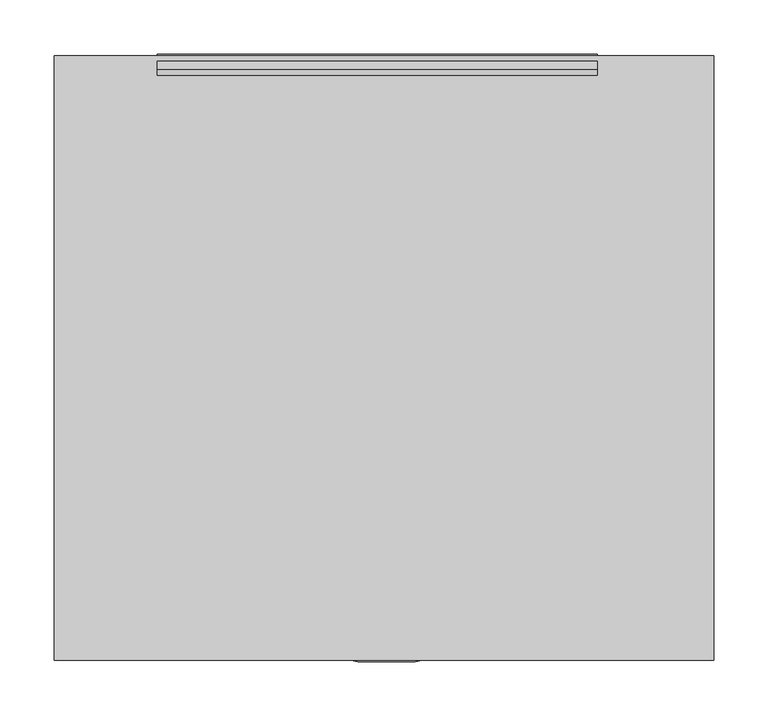
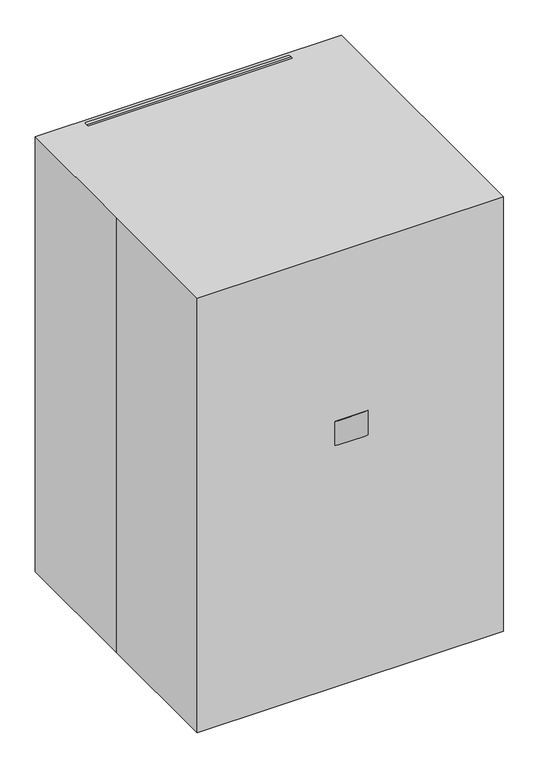
"""IFC4 building model written with IfcOpenShell, lengths in millimetres: proxy geometry."""

from ifc_helpers import new_model, si_unit, point, frame, frame_2d, origin, origin_with_axes, place, context, project, spatial, polyline, circle_curve, trimmed, segment, composite_curve, outline, extrude, source, transform, mapped, element, save


def specialty_equipment_d9f4183d(model_context):
    return source(origin(), model_context, "Body", "SweptSolid", [
        extrude(outline(polyline([(245.1763903, 607.2581371), (259.3714887, 444.5), (235.3195063, 444.5), (235.3195063, 509.2539826), (228.3948633, 608.2809912), (234.0342494, 666.34322), (250.7573639, 664.7189609), (245.1763903, 607.2581371)])), frame((-19.05, 0.0, 0.0), z_axis=(1.0, 0.0, 0.0), x_axis=(0.0, 1.0, 0.0)), (0.0, 0.0, 1.0), 40.4715924),
        extrude(outline(polyline([(266.6039295, 914.6308695), (274.1575655, 914.1026678), (280.453575, 886.0214532), (280.7793477, 856.0346762), (269.8856778, 731.5194592), (260.7070381, 677.1194312), (253.4902614, 664.4798634), (227.4843376, 666.7550869), (225.9166717, 699.6097731), (226.9356974, 709.3051544), (231.2268335, 740.2576091), (236.1201637, 796.1886295), (239.7480237, 837.6552588), (241.0174565, 852.1649422), (242.5672046, 900.3984911), (243.5472924, 911.600946), (266.6039295, 914.6308695)])), frame((-209.55, 0.0, 0.0), z_axis=(1.0, 0.0, 0.0), x_axis=(0.0, 1.0, 0.0)), (0.0, 0.0, 1.0), 406.4),
        extrude(outline(composite_curve([segment(polyline([(20.4732576, 235.3195063), (20.4732576, -10.9732945)]), True, "CONTINUOUS"), segment(trimmed(circle_curve(frame_2d((1.7968221, -27.0144229)), 24.6196474), [point((20.4732576, -10.9732945))], [point((-16.8796133, -10.9732945))], True, "CARTESIAN"), True, "CONTINUOUS"), segment(polyline([(-16.8796133, -10.9732945), (-16.8796133, 235.3195063), (20.4732576, 235.3195063)]), True, "CONTINUOUS")], self_intersect=False)), frame((0.0, 0.0, 444.5), z_axis=(0.0, 0.0, 1.0), x_axis=(1.0, 0.0, 0.0)), (0.0, 0.0, 1.0), 38.1),
        extrude(outline(composite_curve([segment(trimmed(circle_curve(frame_2d((2.1703867, -27.8442581)), 254.0), [point((-251.8296133, -27.8442581))], [point((256.1703867, -27.8442581))], False, "CARTESIAN"), True, "CONTINUOUS"), segment(trimmed(circle_curve(frame_2d((2.1703867, -27.8442581)), 254.0), [point((256.1703867, -27.8442581))], [point((-251.8296133, -27.8442581))], False, "CARTESIAN"), True, "CONTINUOUS")], self_intersect=False)), frame((0.0, 0.0, 508.0), z_axis=(0.0, 0.0, 1.0), x_axis=(1.0, 0.0, 0.0)), (0.0, 0.0, 1.0), 50.8),
        extrude(outline(composite_curve([segment(trimmed(circle_curve(frame_2d((0.0, -25.7612183)), 25.7612183), [point((0.0, -51.5224365))], [point((0.0, 0.0))], False, "CARTESIAN"), True, "CONTINUOUS"), segment(trimmed(circle_curve(frame_2d((0.0, -25.7612183)), 25.7612183), [point((0.0, 0.0))], [point((0.0, -51.5224365))], False, "CARTESIAN"), True, "CONTINUOUS")], self_intersect=False)), frame((255.027118, 37.6219114, 25.7612183), z_axis=(-0.3090169943748919, 0.9510565162951716, 0.0), x_axis=(0.0, 0.0, 1.0)), (0.0, 0.0, 1.0), 31.75),
        extrude(outline(composite_curve([segment(polyline([(-57.1058785, 0.0), (-0.678315, 0.0)]), True, "CONTINUOUS"), segment(trimmed(circle_curve(frame_2d((-28.8920967, 0.0)), 28.2137817), [point((-0.678315, 0.0))], [point((-57.1058785, 0.0))], False, "CARTESIAN"), True, "CONTINUOUS")], self_intersect=False)), frame((258.9858893, 35.5698017, 25.7612183), z_axis=(-0.30901699437489194, 0.9510565162951716, 0.0), x_axis=(0.9510565162951716, 0.30901699437489194, 0.0)), (0.0, 0.0, 1.0), 38.1),
        extrude(outline(composite_curve([segment(trimmed(circle_curve(frame_2d((225.6213344, 44.7585541)), 3.5091751), [point((224.5369397, 48.0959779))], [point((226.7057291, 41.4211302))], False, "CARTESIAN"), True, "CONTINUOUS"), segment(trimmed(circle_curve(frame_2d((225.6213344, 44.7585541)), 3.5091751), [point((226.7057291, 41.4211302))], [point((224.5369397, 48.0959779))], False, "CARTESIAN"), True, "CONTINUOUS")], self_intersect=False)), frame((0.0, 0.0, 53.975), z_axis=(0.0, 0.0, 1.0), x_axis=(1.0, 0.0, 0.0)), (0.0, 0.0, 1.0), 13.49375),
        extrude(outline(polyline([(232.199718, 40.2196229), (27.5682802, -26.2691618), (23.6440039, -14.1914812), (228.2754417, 52.2973034), (232.199718, 40.2196229)])), frame((0.0, 0.0, 67.46875), z_axis=(0.0, 0.0, 1.0), x_axis=(1.0, 0.0, 0.0)), (0.0, 0.0, 1.0), 50.8),
        extrude(outline(composite_curve([segment(trimmed(circle_curve(frame_2d((0.0, -25.7612182)), 25.7612183), [point((0.0, -51.5224365))], [point((0.0, 0.0))], False, "CARTESIAN"), True, "CONTINUOUS"), segment(trimmed(circle_curve(frame_2d((0.0, -25.7612182)), 25.7612183), [point((0.0, 0.0))], [point((0.0, -51.5224365))], False, "CARTESIAN"), True, "CONTINUOUS")], self_intersect=False)), frame((142.5694409, -248.0951411, 25.7612183), z_axis=(0.8090169943749846, 0.5877852522924221, 0.0), x_axis=(0.0, 0.0, 1.0)), (0.0, 0.0, 1.0), 31.75),
        extrude(outline(composite_curve([segment(polyline([(-57.1058785, 0.0), (-0.6783151, 0.0)]), True, "CONTINUOUS"), segment(trimmed(circle_curve(frame_2d((-28.8920968, 0.0)), 28.2137817), [point((-0.6783151, 0.0))], [point((-57.1058785, 0.0))], False, "CARTESIAN"), True, "CONTINUOUS")], self_intersect=False)), frame((141.8410962, -252.4942932, 25.7612183), z_axis=(0.8090169943749845, 0.587785252292422, 0.0), x_axis=(0.587785252292422, -0.8090169943749845, 0.0)), (0.0, 0.0, 1.0), 38.1),
        extrude(outline(composite_curve([segment(trimmed(circle_curve(frame_2d((140.2699045, -217.9232351)), 3.5091751), [point((143.1088868, -215.8605938))], [point((137.4309222, -219.9858765))], False, "CARTESIAN"), True, "CONTINUOUS"), segment(trimmed(circle_curve(frame_2d((140.2699045, -217.9232351)), 3.5091751), [point((137.4309222, -219.9858765))], [point((143.1088868, -215.8605938))], False, "CARTESIAN"), True, "CONTINUOUS")], self_intersect=False)), frame((0.0, 0.0, 53.975), z_axis=(0.0, 0.0, 1.0), x_axis=(1.0, 0.0, 0.0)), (0.0, 0.0, 1.0), 13.49375),
        extrude(outline(polyline([(137.9859568, -225.5822566), (11.516773, -51.5123586), (21.7906618, -44.0479415), (148.2598455, -218.1178395), (137.9859568, -225.5822566)])), frame((0.0, 0.0, 67.46875), z_axis=(0.0, 0.0, 1.0), x_axis=(1.0, 0.0, 0.0)), (0.0, 0.0, 1.0), 50.8),
        extrude(outline(composite_curve([segment(trimmed(circle_curve(frame_2d((0.0, -25.7612183)), 25.7612183), [point((0.0, -51.5224365))], [point((0.0, 0.0))], False, "CARTESIAN"), True, "CONTINUOUS"), segment(trimmed(circle_curve(frame_2d((0.0, -25.7612183)), 25.7612183), [point((0.0, 0.0))], [point((0.0, -51.5224365))], False, "CARTESIAN"), True, "CONTINUOUS")], self_intersect=False)), frame((-138.2286675, -248.0951411, 25.7612183), z_axis=(-0.8090169943749151, 0.5877852522925178, 0.0), x_axis=(0.0, 0.0, -1.0)), (0.0, 0.0, 1.0), 31.75),
        extrude(outline(composite_curve([segment(trimmed(circle_curve(frame_2d((28.8920967, 0.0)), 28.2137817), [point((57.1058785, 0.0))], [point((0.678315, 0.0))], False, "CARTESIAN"), True, "CONTINUOUS"), segment(polyline([(0.678315, 0.0), (57.1058785, 0.0)]), True, "CONTINUOUS")], self_intersect=False)), frame((-137.5003227, -252.4942932, 25.7612183), z_axis=(-0.809016994374915, 0.5877852522925177, 0.0), x_axis=(0.5877852522925177, 0.809016994374915, 0.0)), (0.0, 0.0, 1.0), 38.1),
        extrude(outline(composite_curve([segment(trimmed(circle_curve(frame_2d((-135.9303651, -217.9223386)), 3.5091751), [point((-133.0913828, -219.98498))], [point((-138.7693474, -215.8596972))], False, "CARTESIAN"), True, "CONTINUOUS"), segment(trimmed(circle_curve(frame_2d((-135.9303651, -217.9223386)), 3.5091751), [point((-138.7693474, -215.8596972))], [point((-133.0913828, -219.98498))], False, "CARTESIAN"), True, "CONTINUOUS")], self_intersect=False)), frame((0.0, 0.0, 53.975), z_axis=(0.0, 0.0, 1.0), x_axis=(1.0, 0.0, 0.0)), (0.0, 0.0, 1.0), 13.49375),
        extrude(outline(polyline([(-143.9203061, -218.116943), (-17.4511223, -44.047045), (-7.1772336, -51.5114621), (-133.6464173, -225.58136), (-143.9203061, -218.116943)])), frame((0.0, 0.0, 67.46875), z_axis=(0.0, 0.0, 1.0), x_axis=(1.0, 0.0, 0.0)), (0.0, 0.0, 1.0), 50.8),
        extrude(outline(composite_curve([segment(trimmed(circle_curve(frame_2d((0.0, -25.7612183)), 25.7612183), [point((0.0, -51.5224365))], [point((0.0, 0.0))], False, "CARTESIAN"), True, "CONTINUOUS"), segment(trimmed(circle_curve(frame_2d((0.0, -25.7612183)), 25.7612183), [point((0.0, 0.0))], [point((0.0, -51.5224365))], False, "CARTESIAN"), True, "CONTINUOUS")], self_intersect=False)), frame((-250.6863446, 37.6219114, 25.7612183), z_axis=(0.3090169943749793, 0.9510565162951433, 0.0), x_axis=(0.0, 0.0, -1.0)), (0.0, 0.0, 1.0), 31.75),
        extrude(outline(composite_curve([segment(trimmed(circle_curve(frame_2d((28.8920968, 0.0)), 28.2137817), [point((57.1058785, 0.0))], [point((0.678315, 0.0))], False, "CARTESIAN"), True, "CONTINUOUS"), segment(polyline([(0.678315, 0.0), (57.1058785, 0.0)]), True, "CONTINUOUS")], self_intersect=False)), frame((-254.6451159, 35.5698017, 25.7612183), z_axis=(0.3090169943749793, 0.9510565162951432, 0.0), x_axis=(0.9510565162951432, -0.3090169943749793, 0.0)), (0.0, 0.0, 1.0), 38.1),
        extrude(outline(composite_curve([segment(trimmed(circle_curve(frame_2d((-221.2800896, 44.7600047)), 3.5091751), [point((-222.3644844, 41.4225809))], [point((-220.1956949, 48.0974286))], False, "CARTESIAN"), True, "CONTINUOUS"), segment(trimmed(circle_curve(frame_2d((-221.2800896, 44.7600047)), 3.5091751), [point((-220.1956949, 48.0974286))], [point((-222.3644844, 41.4225809))], False, "CARTESIAN"), True, "CONTINUOUS")], self_intersect=False)), frame((0.0, 0.0, 53.975), z_axis=(0.0, 0.0, 1.0), x_axis=(1.0, 0.0, 0.0)), (0.0, 0.0, 1.0), 13.49375),
        extrude(outline(polyline([(-223.9341969, 52.2987541), (-19.3027591, -14.1900305), (-23.2270354, -26.2677111), (-227.8584732, 40.2210735), (-223.9341969, 52.2987541)])), frame((0.0, 0.0, 67.46875), z_axis=(0.0, 0.0, 1.0), x_axis=(1.0, 0.0, 0.0)), (0.0, 0.0, 1.0), 50.8),
        extrude(outline(composite_curve([segment(trimmed(circle_curve(frame_2d((207.1057246, 25.7612183)), 25.7612183), [point((181.3445063, 25.7612183))], [point((232.8669428, 25.7612183))], False, "CARTESIAN"), True, "CONTINUOUS"), segment(trimmed(circle_curve(frame_2d((207.1057246, 25.7612183)), 25.7612183), [point((232.8669428, 25.7612183))], [point((181.3445063, 25.7612183))], False, "CARTESIAN"), True, "CONTINUOUS")], self_intersect=False)), frame((-13.7046133, 0.0, 0.0), z_axis=(1.0, 0.0, 0.0), x_axis=(0.0, 1.0, 0.0)), (0.0, 0.0, 1.0), 31.75),
        extrude(outline(composite_curve([segment(trimmed(circle_curve(frame_2d((207.1057246, 25.7612183)), 28.2137817), [point((178.8919428, 25.7612183))], [point((235.3195063, 25.7612183))], False, "CARTESIAN"), True, "CONTINUOUS"), segment(polyline([(235.3195063, 25.7612183), (178.8919428, 25.7612183)]), True, "CONTINUOUS")], self_intersect=False)), frame((-16.8796133, 0.0, 0.0), z_axis=(1.0, 0.0, 0.0), x_axis=(0.0, 1.0, 0.0)), (0.0, 0.0, 1.0), 38.1),
        extrude(outline(composite_curve([segment(trimmed(circle_curve(frame_2d((2.1711494, 207.1057246)), 3.5091751), [point((-1.3380257, 207.1057246))], [point((5.6803245, 207.1057246))], False, "CARTESIAN"), True, "CONTINUOUS"), segment(trimmed(circle_curve(frame_2d((2.1711494, 207.1057246)), 3.5091751), [point((5.6803245, 207.1057246))], [point((-1.3380257, 207.1057246))], False, "CARTESIAN"), True, "CONTINUOUS")], self_intersect=False)), frame((0.0, 0.0, 53.975), z_axis=(0.0, 0.0, 1.0), x_axis=(1.0, 0.0, 0.0)), (0.0, 0.0, 1.0), 13.49375),
        extrude(outline(polyline([(8.5207618, 211.9595323), (8.5207618, -3.2026944), (-4.178463, -3.2026944), (-4.178463, 211.9595323), (8.5207618, 211.9595323)])), frame((0.0, 0.0, 67.46875), z_axis=(0.0, 0.0, 1.0), x_axis=(1.0, 0.0, 0.0)), (0.0, 0.0, 1.0), 50.8),
        extrude(outline(composite_curve([segment(trimmed(circle_curve(frame_2d((2.1703867, -27.8442581)), 25.4466483), [point((-23.2762616, -27.8442581))], [point((27.6170351, -27.8442581))], False, "CARTESIAN"), True, "CONTINUOUS"), segment(trimmed(circle_curve(frame_2d((2.1703867, -27.8442581)), 25.4466483), [point((27.6170351, -27.8442581))], [point((-23.2762616, -27.8442581))], False, "CARTESIAN"), True, "CONTINUOUS")], self_intersect=False)), frame((0.0, 0.0, 67.46875), z_axis=(0.0, 0.0, 1.0), x_axis=(1.0, 0.0, 0.0)), (0.0, 0.0, 1.0), 440.53125),
        extrude(outline(polyline([(-304.8, 279.4), (304.8, 279.4), (304.8, -279.4), (-304.8, -279.4), (-304.8, 0.0), (-304.8, 279.4)])), origin_with_axes(), (0.0, 0.0, 1.0), 914.4),
    ])


if __name__ == "__main__":
    model = new_model("IFC4")
    model_context = context("Model", 3, world=origin())
    ifc_project = project(units=[si_unit("LENGTHUNIT", "METRE", prefix="MILLI")], contexts=[model_context])
    site = spatial("IfcSite", under=ifc_project)
    building = spatial("IfcBuilding", under=site)
    placement = place(None, origin())
    specialty_equipment_shape = specialty_equipment_d9f4183d(model_context)
    element("IfcBuildingElementProxy", 1, Name="Specialty Equipment", at=placement, inside=building, context=model_context, shape_type="MappedRepresentation", body=[
        mapped(specialty_equipment_shape, transform((0.0, 0.0, 0.0), x_axis=(1.0, 0.0, 0.0), y_axis=(0.0, 1.0, 0.0), z_axis=(0.0, 0.0, 1.0))),
    ])
    save(model, "model.ifc")
